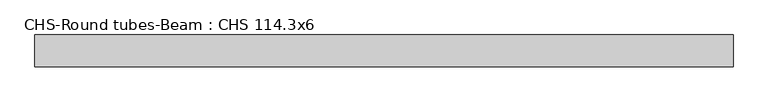
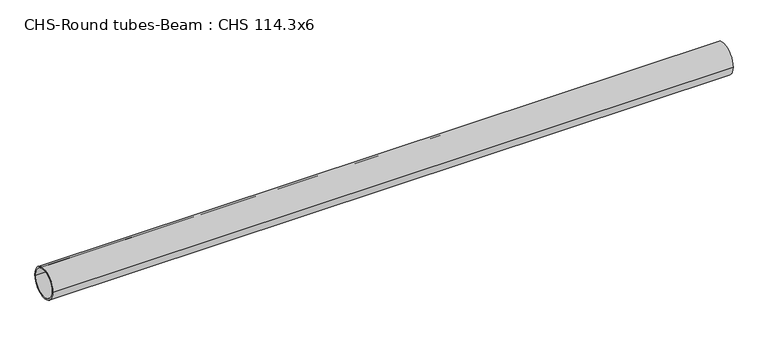
"""IFC4 building model written with IfcOpenShell, lengths in millimetres: beam geometry, CHS-Round tubes-Beam : CHS 114.3x6."""

from ifc_helpers import new_model, si_unit, point, frame, origin, origin_2d, place, context, project, spatial, circle_curve, trimmed, segment, composite_curve, outline, extrude, source, transform, mapped, element, save


def chs_round_tubes_beam_chs_114_3x6_a5e8d4ac(model_context):
    return source(origin(), model_context, "Body", "SweptSolid", [
        extrude(outline(composite_curve([segment(trimmed(circle_curve(origin_2d(), 57.15), [point((57.15, 0.0))], [point((-57.15, 0.0))], False, "CARTESIAN"), True, "CONTINUOUS"), segment(trimmed(circle_curve(origin_2d(), 57.15), [point((-57.15, 0.0))], [point((57.15, 0.0))], False, "CARTESIAN"), True, "CONTINUOUS")], self_intersect=False), holes=[composite_curve([segment(trimmed(circle_curve(origin_2d(), 51.15), [point((51.15, 0.0))], [point((-51.15, 0.0))], True, "CARTESIAN"), True, "CONTINUOUS"), segment(trimmed(circle_curve(origin_2d(), 51.15), [point((-51.15, 0.0))], [point((51.15, 0.0))], True, "CARTESIAN"), True, "CONTINUOUS")], self_intersect=False)]), frame((-1225.677012, 0.0, 0.0), z_axis=(1.0, 0.0, 0.0), x_axis=(0.0, 1.0, 0.0)), (0.0, 0.0, 1.0), 2517.0230327),
    ])


if __name__ == "__main__":
    model = new_model("IFC4")
    model_context = context("Model", 3, world=origin())
    ifc_project = project(units=[si_unit("LENGTHUNIT", "METRE", prefix="MILLI")], contexts=[model_context])
    site = spatial("IfcSite", under=ifc_project)
    building = spatial("IfcBuilding", under=site)
    placement = place(None, origin())
    chs_round_tubes_beam_chs_114_3x6_shape = chs_round_tubes_beam_chs_114_3x6_a5e8d4ac(model_context)
    element("IfcBeam", 1, ObjectType="CHS-Round tubes-Beam : CHS 114.3x6", at=placement, inside=building, context=model_context, shape_type="MappedRepresentation", body=[
        mapped(chs_round_tubes_beam_chs_114_3x6_shape, transform((0.0, 0.0, 0.0), x_axis=(1.0, 0.0, 0.0), y_axis=(0.0, 1.0, 0.0), z_axis=(0.0, 0.0, 1.0))),
    ])
    save(model, "model.ifc")
